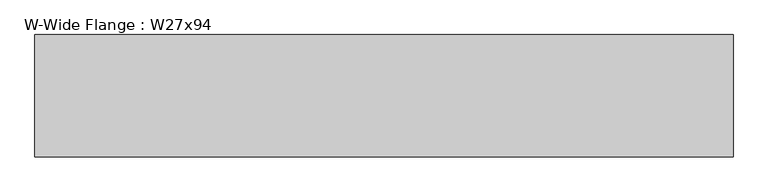
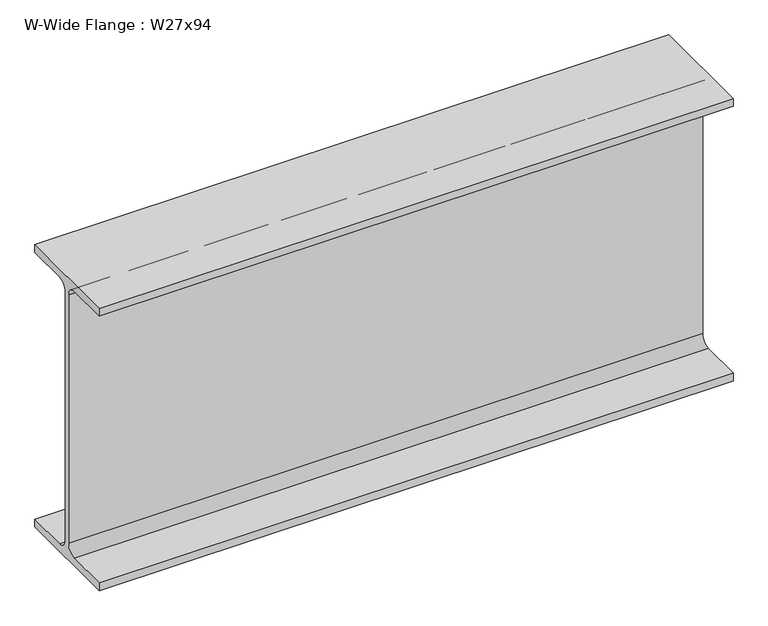
"""IFC4 building model written with IfcOpenShell, lengths in millimetres: beam geometry, W-Wide Flange : W27x94."""

from ifc_helpers import new_model, si_unit, point, frame, frame_2d, origin, place, context, project, spatial, polyline, circle_curve, trimmed, segment, composite_curve, outline, extrude, source, transform, mapped, element, save


def w_wide_flange_w27x94_c1fe49ba(model_context):
    return source(origin(), model_context, "Body", "SweptSolid", [
        extrude(outline(composite_curve([segment(polyline([(-127.0, -322.707), (-28.575, -322.707)]), True, "CONTINUOUS"), segment(trimmed(circle_curve(frame_2d((-28.575, -300.355)), 22.352), [point((-28.575, -322.707))], [point((-6.223, -300.355))], True, "CARTESIAN"), True, "CONTINUOUS"), segment(polyline([(-6.223, -300.355), (-6.223, 300.355)]), True, "CONTINUOUS"), segment(trimmed(circle_curve(frame_2d((-28.575, 300.355)), 22.352), [point((-6.223, 300.355))], [point((-28.575, 322.707))], True, "CARTESIAN"), True, "CONTINUOUS"), segment(polyline([(-28.575, 322.707), (-127.0, 322.707), (-127.0, 341.63), (127.0, 341.63), (127.0, 322.707), (28.575, 322.707)]), True, "CONTINUOUS"), segment(trimmed(circle_curve(frame_2d((28.575, 300.355)), 22.352), [point((28.575, 322.707))], [point((6.223, 300.355))], True, "CARTESIAN"), True, "CONTINUOUS"), segment(polyline([(6.223, 300.355), (6.223, -300.355)]), True, "CONTINUOUS"), segment(trimmed(circle_curve(frame_2d((28.575, -300.355)), 22.352), [point((6.223, -300.355))], [point((28.575, -322.707))], True, "CARTESIAN"), True, "CONTINUOUS"), segment(polyline([(28.575, -322.707), (127.0, -322.707), (127.0, -341.63), (-127.0, -341.63), (-127.0, -322.707)]), True, "CONTINUOUS")], self_intersect=False)), frame((-593.09, 0.0, 0.0), z_axis=(1.0, 0.0, 0.0), x_axis=(0.0, 1.0, 0.0)), (0.0, 0.0, 1.0), 1450.34),
    ])


if __name__ == "__main__":
    model = new_model("IFC4")
    model_context = context("Model", 3, world=origin())
    ifc_project = project(units=[si_unit("LENGTHUNIT", "METRE", prefix="MILLI")], contexts=[model_context])
    site = spatial("IfcSite", under=ifc_project)
    building = spatial("IfcBuilding", under=site)
    placement = place(None, origin())
    w_wide_flange_w27x94_shape = w_wide_flange_w27x94_c1fe49ba(model_context)
    element("IfcBeam", 1, ObjectType="W-Wide Flange : W27x94", at=placement, inside=building, context=model_context, shape_type="MappedRepresentation", body=[
        mapped(w_wide_flange_w27x94_shape, transform((0.0, 0.0, 0.0), x_axis=(1.0, 0.0, 0.0), y_axis=(0.0, 1.0, 0.0), z_axis=(0.0, 0.0, 1.0))),
    ])
    save(model, "model.ifc")
